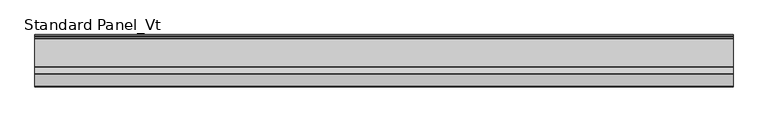
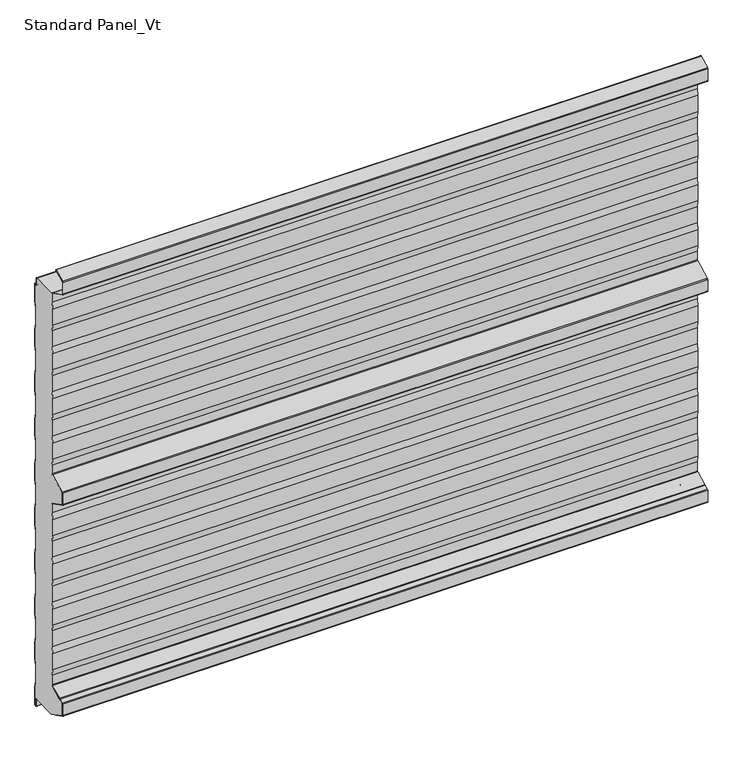
"""IFC4 building model written with IfcOpenShell, lengths in millimetres: proxy geometry, Standard Panel_Vt."""

from ifc_helpers import new_model, si_unit, point, frame, frame_2d, origin, place, context, project, spatial, polyline, circle_curve, trimmed, segment, composite_curve, outline, extrude, source, transform, mapped, element, save
from ifc_brep_helpers import plane_surface, cylinder_surface, revolved_surface, advanced_brep


def standard_panel_vt_7420a93f(model_context):
    return source(origin(), model_context, "Body", "SolidModel", [
        advanced_brep(
        [(-723.9042608, -67.5, 35.1338169), (-723.9042608, -67.5, 57.6094989), (-723.9042608, -70.0, 72.448892), (-723.9042608, -70.0, 110.5241033), (-723.9042608, -67.5, 125.3634964), (-723.9042608, -67.5, 163.6094989), (-723.9042608, -70.0, 178.448892), (-723.9042608, -70.0, 216.5241033), (-723.9042608, -67.5, 231.3634964), (-723.9042608, -67.5, 269.6094989), (-723.9042608, -70.0, 284.448892), (-723.9042608, -70.0, 322.5241033), (-723.9042608, -67.5, 337.3634964), (-723.9042608, -67.5, 375.6094989), (-723.9042608, -70.0, 390.448892), (-723.9042608, -70.0, 428.5241033), (-723.9042608, -67.5, 443.3634964), (-723.9042608, -67.5, 463.5777279), (-723.9042608, -69.215023, 466.3511443), (-723.9042608, -106.7201502, 485.0802964), (-723.9042608, -107.55, 486.4222721), (-723.9042608, -107.55, 513.5777279), (-723.9042608, -106.7201502, 514.9197036), (-723.9042608, -69.215023, 533.6488557), (-723.9042608, -67.5, 536.4222721), (-723.9042608, -67.5, 556.6365036), (-723.9042608, -70.0, 571.4758967), (-723.9042608, -70.0, 609.551108), (-723.9042608, -67.5, 624.3905011), (-723.9042608, -67.5, 662.6365036), (-723.9042608, -70.0, 677.4758967), (-723.9042608, -70.0, 715.551108), (-723.9042608, -67.5, 730.3905011), (-723.9042608, -67.5, 768.6365036), (-723.9042608, -70.0, 783.4758967), (-723.9042608, -70.0, 821.551108), (-723.9042608, -67.5, 836.3905011), (-723.9042608, -67.5, 874.6365036), (-723.9042608, -70.0, 889.4758967), (-723.9042608, -70.0, 927.551108), (-723.9042608, -67.5, 942.3905011), (-723.9042608, -67.5, 962.6040392), (-723.9042608, -67.9622719, 964.2326554), (-723.9042608, -10.2001722, 964.2), (-723.9042608, -10.2001722, 963.3616429), (-723.9042608, -8.2001714, 963.3616429), (-723.9042608, -6.9001721, 962.0616436), (-723.9042608, -6.9001721, 946.4755735), (-723.9042608, -4.1204106, 944.9655843), (-723.9042608, -1.6, 946.6009611), (-723.9042608, -1.6, 905.4928529), (-723.9042608, -4.1, 890.4928529), (-723.9042608, -4.1, 852.3604329), (-723.9042608, -1.6, 837.3604329), (-723.9042608, -1.6, 799.4928529), (-723.9042608, -4.1, 784.4928529), (-723.9042608, -4.1, 746.3604329), (-723.9042608, -1.6, 731.3604329), (-723.9042608, -1.6, 693.4928529), (-723.9042608, -4.1, 678.4928529), (-723.9042608, -4.1, 640.3604329), (-723.9042608, -1.6, 625.3604329), (-723.9042608, -1.6, 587.4928529), (-723.9042608, -4.1, 572.4928529), (-723.9042608, -4.1, 534.3604329), (-723.9042608, -1.6, 519.3604329), (-723.9042608, -1.6, 481.9928529), (-723.9042608, -4.1, 466.9928529), (-723.9042608, -4.1, 428.8604329), (-723.9042608, -1.6, 413.8604329), (-723.9042608, -1.6, 375.4928529), (-723.9042608, -4.1, 360.4928529), (-723.9042608, -4.1, 322.3604329), (-723.9042608, -1.6, 307.3604329), (-723.9042608, -1.6, 269.4928529), (-723.9042608, -4.1, 254.4928529), (-723.9042608, -4.1, 216.3604329), (-723.9042608, -1.6, 201.3604329), (-723.9042608, -1.6, 163.4928529), (-723.9042608, -4.1, 148.4928529), (-723.9042608, -4.1, 110.3604329), (-723.9042608, -1.6, 95.3604329), (-723.9042608, -1.6, 57.4928529), (-723.9042608, -4.1, 42.4928529), (-723.9042608, -4.1, 4.3604329), (-723.9042608, -1.6, -10.6395671), (-723.9042608, -1.6, -51.4917405), (-723.9042608, -4.8001723, -53.568183), (-723.9042608, -4.8001723, -37.2383568), (-723.9042608, -7.0001721, -35.0383571), (-723.9042608, -8.930172, -35.0383571), (-723.9042608, -8.930172, -35.8383571), (-723.9042608, -65.05, -35.8), (-723.9042608, -106.7201502, -14.9197036), (-723.9042608, -107.55, -13.5777279), (-723.9042608, -107.55, 13.5777279), (-723.9042608, -106.7201502, 14.9197036), (-723.9042608, -98.2301555, 19.1594013), (-723.9042608, -96.5702853, 19.3495888), (-723.9042608, -95.8045421, 19.576942), (-723.9042608, -68.7724364, 33.0761209), (723.9042608, -67.5, 35.1338169), (723.9042608, -68.7724364, 33.0761209), (723.9042608, -95.8045421, 19.576942), (723.9042608, -96.5702853, 19.3495888), (723.9042608, -98.2301555, 19.1594013), (723.9042608, -106.7201502, 14.9197036), (723.9042608, -107.55, 13.5777279), (723.9042608, -107.55, -13.5777279), (723.9042608, -106.7201502, -14.9197036), (723.9042608, -65.05, -35.7287673), (723.9042608, -8.930172, -35.8383571), (723.9042608, -8.930172, -35.0383571), (723.9042608, -7.0001721, -35.0383571), (723.9042608, -4.8001723, -37.2383568), (723.9042608, -4.8001723, -53.568183), (723.9042608, -1.6, -51.4917405), (723.9042608, -1.6, -10.6395671), (723.9042608, -4.1, 4.3604329), (723.9042608, -4.1, 42.4928529), (723.9042608, -1.6, 57.4928529), (723.9042608, -1.6, 95.3604329), (723.9042608, -4.1, 110.3604329), (723.9042608, -4.1, 148.4928529), (723.9042608, -1.6, 163.4928529), (723.9042608, -1.6, 201.3604329), (723.9042608, -4.1, 216.3604329), (723.9042608, -4.1, 254.4928529), (723.9042608, -1.6, 269.4928529), (723.9042608, -1.6, 307.3604329), (723.9042608, -4.1, 322.3604329), (723.9042608, -4.1, 360.4928529), (723.9042608, -1.6, 375.4928529), (723.9042608, -1.6, 413.8604329), (723.9042608, -4.1, 428.8604329), (723.9042608, -4.1, 466.9928529), (723.9042608, -1.6, 481.9928529), (723.9042608, -1.6, 519.3604329), (723.9042608, -4.1, 534.3604329), (723.9042608, -4.1, 572.4928529), (723.9042608, -1.6, 587.4928529), (723.9042608, -1.6, 625.3604329), (723.9042608, -4.1, 640.3604329), (723.9042608, -4.1, 678.4928529), (723.9042608, -1.6, 693.4928529), (723.9042608, -1.6, 731.3604329), (723.9042608, -4.1, 746.3604329), (723.9042608, -4.1, 784.4928529), (723.9042608, -1.6, 799.4928529), (723.9042608, -1.6, 837.3604329), (723.9042608, -4.1, 852.3604329), (723.9042608, -4.1, 890.4928529), (723.9042608, -1.6, 905.4928529), (723.9042608, -1.6, 946.6009611), (723.9042608, -4.1204106, 944.9655843), (723.9042608, -6.9001721, 946.4755735), (723.9042608, -6.9001721, 962.0616436), (723.9042608, -8.2001714, 963.3616429), (723.9042608, -10.2001722, 963.3616429), (723.9042608, -10.2001722, 964.2), (723.9042608, -67.9622719, 964.2326554), (723.9042608, -67.5, 962.6040392), (723.9042608, -67.5, 942.3905011), (723.9042608, -70.0, 927.551108), (723.9042608, -70.0, 889.4758967), (723.9042608, -67.5, 874.6365036), (723.9042608, -67.5, 836.3905011), (723.9042608, -70.0, 821.551108), (723.9042608, -70.0, 783.4758967), (723.9042608, -67.5, 768.6365036), (723.9042608, -67.5, 730.3905011), (723.9042608, -70.0, 715.551108), (723.9042608, -70.0, 677.4758967), (723.9042608, -67.5, 662.6365036), (723.9042608, -67.5, 624.3905011), (723.9042608, -70.0, 609.551108), (723.9042608, -70.0, 571.4758967), (723.9042608, -67.5, 556.6365036), (723.9042608, -67.5, 536.4222721), (723.9042608, -69.215023, 533.6488557), (723.9042608, -106.7201502, 514.9197036), (723.9042608, -107.55, 513.5777279), (723.9042608, -107.55, 486.4222721), (723.9042608, -106.7201502, 485.0802964), (723.9042608, -69.215023, 466.3511443), (723.9042608, -67.5, 463.5777279), (723.9042608, -67.5, 443.3634964), (723.9042608, -70.0, 428.5241033), (723.9042608, -70.0, 390.448892), (723.9042608, -67.5, 375.6094989), (723.9042608, -67.5, 337.3634964), (723.9042608, -70.0, 322.5241033), (723.9042608, -70.0, 284.448892), (723.9042608, -67.5, 269.6094989), (723.9042608, -67.5, 231.3634964), (723.9042608, -70.0, 216.5241033), (723.9042608, -70.0, 178.448892), (723.9042608, -67.5, 163.6094989), (723.9042608, -67.5, 125.3634964), (723.9042608, -70.0, 110.5241033), (723.9042608, -70.0, 72.448892), (723.9042608, -67.5, 57.6094989)],
        [
            (0, 1),
            (1, 2),
            (2, 3),
            (3, 4),
            (4, 5),
            (5, 6),
            (6, 7),
            (7, 8),
            (8, 9),
            (9, 10),
            (10, 11),
            (11, 12),
            (12, 13),
            (13, 14),
            (14, 15),
            (15, 16),
            (16, 17),
            (17, 18, circle_curve(frame((-723.9042608, -70.6, 463.5777279), z_axis=(1.0, 0.0, 0.0), x_axis=(0.0, 0.0, -1.0)), 3.1)),
            (18, 19),
            (19, 20, circle_curve(frame((-723.9042608, -106.05, 486.4222721), z_axis=(-1.0, 0.0, 0.0), x_axis=(0.0, 0.0, -1.0)), 1.5)),
            (20, 21),
            (21, 22, circle_curve(frame((-723.9042608, -106.05, 513.5777279), z_axis=(-1.0, 0.0, 0.0), x_axis=(0.0, 0.0, -1.0)), 1.5)),
            (22, 23),
            (23, 24, circle_curve(frame((-723.9042608, -70.6, 536.4222721), z_axis=(1.0, 0.0, 0.0), x_axis=(0.0, 0.0, -1.0)), 3.1)),
            (24, 25),
            (25, 26),
            (26, 27),
            (27, 28),
            (28, 29),
            (29, 30),
            (30, 31),
            (31, 32),
            (32, 33),
            (33, 34),
            (34, 35),
            (35, 36),
            (36, 37),
            (37, 38),
            (38, 39),
            (39, 40),
            (40, 41),
            (41, 42, circle_curve(frame((-723.9042608, -70.6, 962.6040392), z_axis=(1.0, 0.0, 0.0), x_axis=(0.0, 0.0, -1.0)), 3.1)),
            (42, 43),
            (43, 44),
            (44, 45),
            (45, 46, circle_curve(frame((-723.9042608, -8.2001714, 962.0616436), z_axis=(-1.0, 0.0, 0.0), x_axis=(0.0, 0.0, -1.0)), 1.2999993)),
            (46, 47),
            (47, 48, circle_curve(frame((-723.9042608, -5.1001721, 946.4755735), z_axis=(1.0, 0.0, 0.0), x_axis=(0.0, 0.0, -1.0)), 1.8)),
            (48, 49),
            (49, 50),
            (50, 51),
            (51, 52),
            (52, 53),
            (53, 54),
            (54, 55),
            (55, 56),
            (56, 57),
            (57, 58),
            (58, 59),
            (59, 60),
            (60, 61),
            (61, 62),
            (62, 63),
            (63, 64),
            (64, 65),
            (65, 66),
            (66, 67),
            (67, 68),
            (68, 69),
            (69, 70),
            (70, 71),
            (71, 72),
            (72, 73),
            (73, 74),
            (74, 75),
            (75, 76),
            (76, 77),
            (77, 78),
            (78, 79),
            (79, 80),
            (80, 81),
            (81, 82),
            (82, 83),
            (83, 84),
            (84, 85),
            (85, 86),
            (86, 87),
            (87, 88),
            (88, 89, circle_curve(frame((-723.9042608, -7.0001721, -37.2383568), z_axis=(1.0, 0.0, 0.0), x_axis=(0.0, 0.0, -1.0)), 2.1999997)),
            (89, 90),
            (90, 91),
            (91, 92),
            (92, 93),
            (93, 94, circle_curve(frame((-723.9042608, -106.05, -13.5777279), z_axis=(-1.0, 0.0, 0.0), x_axis=(0.0, 0.0, -1.0)), 1.5)),
            (94, 95),
            (95, 96, circle_curve(frame((-723.9042608, -106.05, 13.5777279), z_axis=(-1.0, 0.0, 0.0), x_axis=(0.0, 0.0, -1.0)), 1.5)),
            (96, 97),
            (97, 98),
            (98, 99, circle_curve(frame((-723.9042608, -96.8321057, 21.6346381), z_axis=(1.0, 0.0, 0.0), x_axis=(0.0, 0.0, -1.0)), 2.3)),
            (99, 100),
            (100, 0, circle_curve(frame((-723.9042608, -69.8, 35.1338169), z_axis=(1.0, 0.0, 0.0), x_axis=(0.0, 0.0, -1.0)), 2.3)),
            (101, 102, circle_curve(frame((723.9042608, -69.8, 35.1338169), z_axis=(-1.0, 0.0, 0.0), x_axis=(0.0, 0.0, -1.0)), 2.3)),
            (102, 103),
            (103, 104, circle_curve(frame((723.9042608, -96.8321057, 21.6346381), z_axis=(-1.0, 0.0, 0.0), x_axis=(0.0, 0.0, -1.0)), 2.3)),
            (104, 105),
            (105, 106),
            (106, 107, circle_curve(frame((723.9042608, -106.05, 13.5777279), z_axis=(1.0, 0.0, 0.0), x_axis=(0.0, 0.0, -1.0)), 1.5)),
            (107, 108),
            (108, 109, circle_curve(frame((723.9042608, -106.05, -13.5777279), z_axis=(1.0, 0.0, 0.0), x_axis=(0.0, 0.0, -1.0)), 1.5)),
            (109, 110),
            (110, 111),
            (111, 112),
            (112, 113),
            (113, 114, circle_curve(frame((723.9042608, -7.0001721, -37.2383568), z_axis=(-1.0, 0.0, 0.0), x_axis=(0.0, 0.0, -1.0)), 2.1999997)),
            (114, 115),
            (115, 116),
            (116, 117),
            (117, 118),
            (118, 119),
            (119, 120),
            (120, 121),
            (121, 122),
            (122, 123),
            (123, 124),
            (124, 125),
            (125, 126),
            (126, 127),
            (127, 128),
            (128, 129),
            (129, 130),
            (130, 131),
            (131, 132),
            (132, 133),
            (133, 134),
            (134, 135),
            (135, 136),
            (136, 137),
            (137, 138),
            (138, 139),
            (139, 140),
            (140, 141),
            (141, 142),
            (142, 143),
            (143, 144),
            (144, 145),
            (145, 146),
            (146, 147),
            (147, 148),
            (148, 149),
            (149, 150),
            (150, 151),
            (151, 152),
            (152, 153),
            (153, 154),
            (154, 155, circle_curve(frame((723.9042608, -5.1001721, 946.4755735), z_axis=(-1.0, 0.0, 0.0), x_axis=(0.0, 0.0, -1.0)), 1.8)),
            (155, 156),
            (156, 157, circle_curve(frame((723.9042608, -8.2001714, 962.0616436), z_axis=(1.0, 0.0, 0.0), x_axis=(0.0, 0.0, -1.0)), 1.2999993)),
            (157, 158),
            (158, 159),
            (159, 160),
            (160, 161, circle_curve(frame((723.9042608, -70.6, 962.6040392), z_axis=(-1.0, 0.0, 0.0), x_axis=(0.0, 0.0, -1.0)), 3.1)),
            (161, 162),
            (162, 163),
            (163, 164),
            (164, 165),
            (165, 166),
            (166, 167),
            (167, 168),
            (168, 169),
            (169, 170),
            (170, 171),
            (171, 172),
            (172, 173),
            (173, 174),
            (174, 175),
            (175, 176),
            (176, 177),
            (177, 178),
            (178, 179, circle_curve(frame((723.9042608, -70.6, 536.4222721), z_axis=(-1.0, 0.0, 0.0), x_axis=(0.0, 0.0, -1.0)), 3.1)),
            (179, 180),
            (180, 181, circle_curve(frame((723.9042608, -106.05, 513.5777279), z_axis=(1.0, 0.0, 0.0), x_axis=(0.0, 0.0, -1.0)), 1.5)),
            (181, 182),
            (182, 183, circle_curve(frame((723.9042608, -106.05, 486.4222721), z_axis=(1.0, 0.0, 0.0), x_axis=(0.0, 0.0, -1.0)), 1.5)),
            (183, 184),
            (184, 185, circle_curve(frame((723.9042608, -70.6, 463.5777279), z_axis=(-1.0, 0.0, 0.0), x_axis=(0.0, 0.0, -1.0)), 3.1)),
            (185, 186),
            (186, 187),
            (187, 188),
            (188, 189),
            (189, 190),
            (190, 191),
            (191, 192),
            (192, 193),
            (193, 194),
            (194, 195),
            (195, 196),
            (196, 197),
            (197, 198),
            (198, 199),
            (199, 200),
            (200, 201),
            (201, 101),
            (100, 102),
            (101, 0),
            (99, 103),
            (98, 104),
            (97, 105),
            (96, 106),
            (95, 107),
            (94, 108),
            (93, 109),
            (92, 110),
            (159, 43),
            (42, 160),
            (41, 161),
            (40, 162),
            (39, 163),
            (38, 164),
            (37, 165),
            (36, 166),
            (35, 167),
            (34, 168),
            (33, 169),
            (32, 170),
            (31, 171),
            (30, 172),
            (29, 173),
            (28, 174),
            (27, 175),
            (26, 176),
            (25, 177),
            (24, 178),
            (23, 179),
            (22, 180),
            (21, 181),
            (20, 182),
            (19, 183),
            (18, 184),
            (17, 185),
            (16, 186),
            (15, 187),
            (14, 188),
            (13, 189),
            (12, 190),
            (11, 191),
            (10, 192),
            (9, 193),
            (8, 194),
            (7, 195),
            (6, 196),
            (5, 197),
            (4, 198),
            (3, 199),
            (2, 200),
            (1, 201),
            (158, 44),
            (88, 114),
            (113, 89),
            (87, 115),
            (86, 116),
            (85, 117),
            (84, 118),
            (83, 119),
            (82, 120),
            (81, 121),
            (80, 122),
            (79, 123),
            (78, 124),
            (77, 125),
            (76, 126),
            (75, 127),
            (74, 128),
            (73, 129),
            (72, 130),
            (71, 131),
            (70, 132),
            (69, 133),
            (68, 134),
            (67, 135),
            (66, 136),
            (65, 137),
            (64, 138),
            (63, 139),
            (62, 140),
            (61, 141),
            (60, 142),
            (59, 143),
            (58, 144),
            (57, 145),
            (56, 146),
            (55, 147),
            (54, 148),
            (53, 149),
            (52, 150),
            (51, 151),
            (50, 152),
            (49, 153),
            (48, 154),
            (47, 155),
            (46, 156),
            (45, 157),
            (90, 112),
            (111, 91),
        ],
        [
            plane_surface(frame((-723.9042608, -70.0, 500.0), z_axis=(-1.0, 0.0, 0.0), x_axis=(0.0, 1.0, 0.0))),
            plane_surface(frame((723.9042608, -70.0, 500.0), z_axis=(1.0, 0.0, 0.0), x_axis=(0.0, 1.0, 0.0))),
            revolved_surface(polyline([(723.9042608, -69.8, 32.8338169), (-723.9042608, -69.8, 32.8338169)]), (-723.9042608, -69.8, 35.1338169), (1.0, 0.0, 0.0)),
            plane_surface(frame((-723.9042608, -68.7724364, 33.0761209), z_axis=(0.0, -0.4467667729379058, 0.89465046280581), x_axis=(1.0, 0.0, 0.0))),
            revolved_surface(polyline([(723.9042608, -96.8321057, 19.3346381), (-723.9042608, -96.8321057, 19.3346381)]), (-723.9042608, -96.8321057, 21.6346381), (1.0, 0.0, 0.0)),
            plane_surface(frame((-723.9042608, -96.5702853, 19.3495888), z_axis=(0.0, -0.11383496024224143, 0.9934996737929246), x_axis=(1.0, 0.0, 0.0))),
            plane_surface(frame((-723.9042608, -98.2301555, 19.1594013), z_axis=(0.0, -0.44676677293837763, 0.8946504628055743), x_axis=(1.0, 0.0, 0.0))),
            cylinder_surface(frame((-723.9042608, -106.05, 13.5777279), z_axis=(-1.0, 0.0, 0.0), x_axis=(0.0, 0.0, -1.0)), 1.5),
            plane_surface(frame((-723.9042608, -107.55, 13.5777279), z_axis=(0.0, -1.0, 0.0), x_axis=(1.0, 0.0, 0.0))),
            cylinder_surface(frame((-723.9042608, -106.05, -13.5777279), z_axis=(-1.0, 0.0, 0.0), x_axis=(0.0, 0.0, -1.0)), 1.5),
            plane_surface(frame((-723.9042608, -106.7201502, -14.9197036), z_axis=(0.0, -0.4467667729366023, -0.8946504628064608), x_axis=(1.0, 0.0, 0.0))),
            plane_surface(frame((-723.9042608, -65.05, 964.2326554), z_axis=(0.0, 0.0, 1.0), x_axis=(1.0, 0.0, 0.0))),
            revolved_surface(polyline([(723.9042608, -70.6, 959.5040392), (-723.9042608, -70.6, 959.5040392)]), (-723.9042608, -70.6, 962.6040392), (1.0, 0.0, 0.0)),
            plane_surface(frame((-723.9042608, -67.5, 962.6040392), z_axis=(0.0, -1.0, 0.0), x_axis=(1.0, 0.0, 0.0))),
            plane_surface(frame((-723.9042608, -67.5, 942.3905011), z_axis=(0.0, -0.9861039564577478, 0.16612942863435207), x_axis=(1.0, 0.0, 0.0))),
            plane_surface(frame((-723.9042608, -70.0, 927.551108), z_axis=(0.0, -1.0, 0.0), x_axis=(1.0, 0.0, 0.0))),
            plane_surface(frame((-723.9042608, -70.0, 889.4758967), z_axis=(0.0, -0.986103956457715, -0.16612942863454708), x_axis=(1.0, 0.0, 0.0))),
            plane_surface(frame((-723.9042608, -67.5, 874.6365036), z_axis=(0.0, -1.0, 0.0), x_axis=(1.0, 0.0, 0.0))),
            plane_surface(frame((-723.9042608, -67.5, 836.3905011), z_axis=(0.0, -0.9861039564577201, 0.1661294286345171), x_axis=(1.0, 0.0, 0.0))),
            plane_surface(frame((-723.9042608, -70.0, 821.551108), z_axis=(0.0, -1.0, 0.0), x_axis=(1.0, 0.0, 0.0))),
            plane_surface(frame((-723.9042608, -70.0, 783.4758967), z_axis=(0.0, -0.986103956457715, -0.16612942863454708), x_axis=(1.0, 0.0, 0.0))),
            plane_surface(frame((-723.9042608, -67.5, 768.6365036), z_axis=(0.0, -1.0, 0.0), x_axis=(1.0, 0.0, 0.0))),
            plane_surface(frame((-723.9042608, -67.5, 730.3905011), z_axis=(0.0, -0.9861039564577478, 0.16612942863435207), x_axis=(1.0, 0.0, 0.0))),
            plane_surface(frame((-723.9042608, -70.0, 715.551108), z_axis=(0.0, -1.0, 0.0), x_axis=(1.0, 0.0, 0.0))),
            plane_surface(frame((-723.9042608, -70.0, 677.4758967), z_axis=(0.0, -0.9861039564576832, -0.16612942863473568), x_axis=(1.0, 0.0, 0.0))),
            plane_surface(frame((-723.9042608, -67.5, 662.6365036), z_axis=(0.0, -1.0, 0.0), x_axis=(1.0, 0.0, 0.0))),
            plane_surface(frame((-723.9042608, -67.5, 624.3905011), z_axis=(0.0, -0.9861039564577201, 0.1661294286345171), x_axis=(1.0, 0.0, 0.0))),
            plane_surface(frame((-723.9042608, -70.0, 609.551108), z_axis=(0.0, -1.0, 0.0), x_axis=(1.0, 0.0, 0.0))),
            plane_surface(frame((-723.9042608, -70.0, 571.4758967), z_axis=(0.0, -0.9861039564577467, -0.16612942863435845), x_axis=(1.0, 0.0, 0.0))),
            plane_surface(frame((-723.9042608, -67.5, 556.6365036), z_axis=(0.0, -1.0, 0.0), x_axis=(1.0, 0.0, 0.0))),
            revolved_surface(polyline([(723.9042608, -70.6, 533.3222721), (-723.9042608, -70.6, 533.3222721)]), (-723.9042608, -70.6, 536.4222721), (1.0, 0.0, 0.0)),
            plane_surface(frame((-723.9042608, -69.215023, 533.6488557), z_axis=(0.0, -0.4467667729373698, 0.8946504628060775), x_axis=(1.0, 0.0, 0.0))),
            cylinder_surface(frame((-723.9042608, -106.05, 513.5777279), z_axis=(-1.0, 0.0, 0.0), x_axis=(0.0, 0.0, -1.0)), 1.5),
            plane_surface(frame((-723.9042608, -107.55, 513.5777279), z_axis=(0.0, -1.0, 0.0), x_axis=(1.0, 0.0, 0.0))),
            cylinder_surface(frame((-723.9042608, -106.05, 486.4222721), z_axis=(-1.0, 0.0, 0.0), x_axis=(0.0, 0.0, -1.0)), 1.5),
            plane_surface(frame((-723.9042608, -106.7201502, 485.0802964), z_axis=(0.0, -0.4467667729375501, -0.8946504628059875), x_axis=(1.0, 0.0, 0.0))),
            revolved_surface(polyline([(723.9042608, -70.6, 460.4777279), (-723.9042608, -70.6, 460.4777279)]), (-723.9042608, -70.6, 463.5777279), (1.0, 0.0, 0.0)),
            plane_surface(frame((-723.9042608, -67.5, 463.5777279), z_axis=(0.0, -1.0, 0.0), x_axis=(1.0, 0.0, 0.0))),
            plane_surface(frame((-723.9042608, -67.5, 443.3634964), z_axis=(0.0, -0.9861039564577047, 0.16612942863460836), x_axis=(1.0, 0.0, 0.0))),
            plane_surface(frame((-723.9042608, -70.0, 428.5241033), z_axis=(0.0, -1.0, 0.0), x_axis=(1.0, 0.0, 0.0))),
            plane_surface(frame((-723.9042608, -70.0, 390.448892), z_axis=(0.0, -0.9861039564576678, -0.16612942863482694), x_axis=(1.0, 0.0, 0.0))),
            plane_surface(frame((-723.9042608, -67.5, 375.6094989), z_axis=(0.0, -1.0, 0.0), x_axis=(1.0, 0.0, 0.0))),
            plane_surface(frame((-723.9042608, -67.5, 337.3634964), z_axis=(0.0, -0.9861039564577121, 0.16612942863456426), x_axis=(1.0, 0.0, 0.0))),
            plane_surface(frame((-723.9042608, -70.0, 322.5241033), z_axis=(0.0, -1.0, 0.0), x_axis=(1.0, 0.0, 0.0))),
            plane_surface(frame((-723.9042608, -70.0, 284.448892), z_axis=(0.0, -0.9861039564577467, -0.16612942863435845), x_axis=(1.0, 0.0, 0.0))),
            plane_surface(frame((-723.9042608, -67.5, 269.6094989), z_axis=(0.0, -1.0, 0.0), x_axis=(1.0, 0.0, 0.0))),
            plane_surface(frame((-723.9042608, -67.5, 231.3634964), z_axis=(0.0, -0.9861039564577161, 0.1661294286345407), x_axis=(1.0, 0.0, 0.0))),
            plane_surface(frame((-723.9042608, -70.0, 216.5241033), z_axis=(0.0, -1.0, 0.0), x_axis=(1.0, 0.0, 0.0))),
            plane_surface(frame((-723.9042608, -70.0, 178.448892), z_axis=(0.0, -0.986103956457715, -0.16612942863454708), x_axis=(1.0, 0.0, 0.0))),
            plane_surface(frame((-723.9042608, -67.5, 163.6094989), z_axis=(0.0, -1.0, 0.0), x_axis=(1.0, 0.0, 0.0))),
            plane_surface(frame((-723.9042608, -67.5, 125.3634964), z_axis=(0.0, -0.9861039564577161, 0.1661294286345407), x_axis=(1.0, 0.0, 0.0))),
            plane_surface(frame((-723.9042608, -70.0, 110.5241033), z_axis=(0.0, -1.0, 0.0), x_axis=(1.0, 0.0, 0.0))),
            plane_surface(frame((-723.9042608, -70.0, 72.448892), z_axis=(0.0, -0.9861039564576832, -0.16612942863473568), x_axis=(1.0, 0.0, 0.0))),
            plane_surface(frame((-723.9042608, -67.5, 57.6094989), z_axis=(0.0, -1.0, 0.0), x_axis=(1.0, 0.0, 0.0))),
            plane_surface(frame((723.9042608, -10.2001722, 964.2), z_axis=(0.0, 1.0, 0.0), x_axis=(-1.0, 0.0, 0.0))),
            revolved_surface(polyline([(723.9042608, -7.0001721, -39.4383565), (-723.9042608, -7.0001721, -39.4383565)]), (-723.9042608, -7.0001721, -37.2383568), (1.0, 0.0, 0.0)),
            plane_surface(frame((-723.9042608, -4.8001723, -37.2383568), z_axis=(0.0, -1.0, 0.0), x_axis=(1.0, 0.0, 0.0))),
            plane_surface(frame((-723.9042608, -4.8001723, -53.568183), z_axis=(0.0, 0.5443119480328179, -0.8388828900560071), x_axis=(1.0, 0.0, 0.0))),
            plane_surface(frame((-723.9042608, -1.6, -51.4917405), z_axis=(0.0, 1.0, 0.0), x_axis=(1.0, 0.0, 0.0))),
            plane_surface(frame((-723.9042608, -1.6, -10.6395671), z_axis=(0.0, 0.9863939238321534, 0.16439898730529956), x_axis=(1.0, 0.0, 0.0))),
            plane_surface(frame((-723.9042608, -4.1, 4.3604329), z_axis=(0.0, 1.0, 0.0), x_axis=(1.0, 0.0, 0.0))),
            plane_surface(frame((-723.9042608, -4.1, 42.4928529), z_axis=(0.0, 0.9863939238321456, -0.1643989873053465), x_axis=(1.0, 0.0, 0.0))),
            plane_surface(frame((-723.9042608, -1.6, 57.4928529), z_axis=(0.0, 1.0, 0.0), x_axis=(1.0, 0.0, 0.0))),
            plane_surface(frame((-723.9042608, -1.6, 95.3604329), z_axis=(0.0, 0.9863939238321452, 0.16439898730534863), x_axis=(1.0, 0.0, 0.0))),
            plane_surface(frame((-723.9042608, -4.1, 110.3604329), z_axis=(0.0, 1.0, 0.0), x_axis=(1.0, 0.0, 0.0))),
            plane_surface(frame((-723.9042608, -4.1, 148.4928529), z_axis=(0.0, 0.9863939238321413, -0.16439898730537209), x_axis=(1.0, 0.0, 0.0))),
            plane_surface(frame((-723.9042608, -1.6, 163.4928529), z_axis=(0.0, 1.0, 0.0), x_axis=(1.0, 0.0, 0.0))),
            plane_surface(frame((-723.9042608, -1.6, 201.3604329), z_axis=(0.0, 0.9863939238321713, 0.164398987305192), x_axis=(1.0, 0.0, 0.0))),
            plane_surface(frame((-723.9042608, -4.1, 216.3604329), z_axis=(0.0, 1.0, 0.0), x_axis=(1.0, 0.0, 0.0))),
            plane_surface(frame((-723.9042608, -4.1, 254.4928529), z_axis=(0.0, 0.9863939238321595, -0.16439898730526276), x_axis=(1.0, 0.0, 0.0))),
            plane_surface(frame((-723.9042608, -1.6, 269.4928529), z_axis=(0.0, 1.0, 0.0), x_axis=(1.0, 0.0, 0.0))),
            plane_surface(frame((-723.9042608, -1.6, 307.3604329), z_axis=(0.0, 0.9863939238321285, 0.16439898730544858), x_axis=(1.0, 0.0, 0.0))),
            plane_surface(frame((-723.9042608, -4.1, 322.3604329), z_axis=(0.0, 1.0, 0.0), x_axis=(1.0, 0.0, 0.0))),
            plane_surface(frame((-723.9042608, -4.1, 360.4928529), z_axis=(0.0, 0.986393923832452, -0.16439898730350827), x_axis=(1.0, 0.0, 0.0))),
            plane_surface(frame((-723.9042608, -1.6, 375.4928529), z_axis=(0.0, 1.0, 0.0), x_axis=(1.0, 0.0, 0.0))),
            plane_surface(frame((-723.9042608, -1.6, 413.8604329), z_axis=(0.0, 0.986393923832151, 0.16439898730531435), x_axis=(1.0, 0.0, 0.0))),
            plane_surface(frame((-723.9042608, -4.1, 428.8604329), z_axis=(0.0, 1.0, 0.0), x_axis=(1.0, 0.0, 0.0))),
            plane_surface(frame((-723.9042608, -4.1, 466.9928529), z_axis=(0.0, 0.9863939238329182, -0.1643989873007107), x_axis=(1.0, 0.0, 0.0))),
            plane_surface(frame((-723.9042608, -1.6, 481.9928529), z_axis=(0.0, 1.0, 0.0), x_axis=(1.0, 0.0, 0.0))),
            plane_surface(frame((-723.9042608, -1.6, 519.3604329), z_axis=(0.0, 0.986393923832576, 0.1643989873027638), x_axis=(1.0, 0.0, 0.0))),
            plane_surface(frame((-723.9042608, -4.1, 534.3604329), z_axis=(0.0, 1.0, 0.0), x_axis=(1.0, 0.0, 0.0))),
            plane_surface(frame((-723.9042608, -4.1, 572.4928529), z_axis=(0.0, 0.9863939238321462, -0.1643989873053435), x_axis=(1.0, 0.0, 0.0))),
            plane_surface(frame((-723.9042608, -1.6, 587.4928529), z_axis=(0.0, 1.0, 0.0), x_axis=(1.0, 0.0, 0.0))),
            plane_surface(frame((-723.9042608, -1.6, 625.3604329), z_axis=(0.0, 0.9863939238321415, 0.16439898730537109), x_axis=(1.0, 0.0, 0.0))),
            plane_surface(frame((-723.9042608, -4.1, 640.3604329), z_axis=(0.0, 1.0, 0.0), x_axis=(1.0, 0.0, 0.0))),
            plane_surface(frame((-723.9042608, -4.1, 678.4928529), z_axis=(0.0, 0.9863939238321462, -0.1643989873053435), x_axis=(1.0, 0.0, 0.0))),
            plane_surface(frame((-723.9042608, -1.6, 693.4928529), z_axis=(0.0, 1.0, 0.0), x_axis=(1.0, 0.0, 0.0))),
            plane_surface(frame((-723.9042608, -1.6, 731.3604329), z_axis=(0.0, 0.9863939238321723, 0.16439898730518634), x_axis=(1.0, 0.0, 0.0))),
            plane_surface(frame((-723.9042608, -4.1, 746.3604329), z_axis=(0.0, 1.0, 0.0), x_axis=(1.0, 0.0, 0.0))),
            plane_surface(frame((-723.9042608, -4.1, 784.4928529), z_axis=(0.0, 0.9863939238321462, -0.1643989873053435), x_axis=(1.0, 0.0, 0.0))),
            plane_surface(frame((-723.9042608, -1.6, 799.4928529), z_axis=(0.0, 1.0, 0.0), x_axis=(1.0, 0.0, 0.0))),
            plane_surface(frame((-723.9042608, -1.6, 837.3604329), z_axis=(0.0, 0.9863939238321415, 0.16439898730537109), x_axis=(1.0, 0.0, 0.0))),
            plane_surface(frame((-723.9042608, -4.1, 852.3604329), z_axis=(0.0, 1.0, 0.0), x_axis=(1.0, 0.0, 0.0))),
            plane_surface(frame((-723.9042608, -4.1, 890.4928529), z_axis=(0.0, 0.9863939238321769, -0.16439898730515876), x_axis=(1.0, 0.0, 0.0))),
            plane_surface(frame((-723.9042608, -1.6, 905.4928529), z_axis=(0.0, 1.0, 0.0), x_axis=(1.0, 0.0, 0.0))),
            plane_surface(frame((-723.9042608, -1.6, 946.6009611), z_axis=(0.0, -0.5443119480359504, 0.8388828900539747), x_axis=(1.0, 0.0, 0.0))),
            revolved_surface(polyline([(723.9042608, -5.1001721, 944.6755735), (-723.9042608, -5.1001721, 944.6755735)]), (-723.9042608, -5.1001721, 946.4755735), (1.0, 0.0, 0.0)),
            plane_surface(frame((-723.9042608, -6.9001721, 946.4755735), z_axis=(0.0, 1.0, 0.0), x_axis=(1.0, 0.0, 0.0))),
            cylinder_surface(frame((-723.9042608, -8.2001714, 962.0616436), z_axis=(-1.0, 0.0, 0.0), x_axis=(0.0, 0.0, -1.0)), 1.2999993),
            plane_surface(frame((-723.9042608, -8.2001714, 963.3616429), z_axis=(0.0, 0.0, 1.0), x_axis=(1.0, 0.0, 0.0))),
            plane_surface(frame((-723.9042608, -8.930172, -35.8383571), z_axis=(0.0, 1.0, 0.0), x_axis=(1.0, 0.0, 0.0))),
            plane_surface(frame((-723.9042608, -8.930172, -35.0383571), z_axis=(0.0, 0.0, -1.0), x_axis=(1.0, 0.0, 0.0))),
            plane_surface(frame((723.9042608, -10.2001722, -35.8), z_axis=(0.0, 0.0, -1.0), x_axis=(-1.0, 0.0, 0.0))),
        ],
        [
            (0, [[1, 2, 3, 4, 5, 6, 7, 8, 9, 10, 11, 12, 13, 14, 15, 16, 17, 18, 19, 20, 21, 22, 23, 24, 25, 26, 27, 28, 29, 30, 31, 32, 33, 34, 35, 36, 37, 38, 39, 40, 41, 42, 43, 44, 45, 46, 47, 48, 49, 50, 51, 52, 53, 54, 55, 56, 57, 58, 59, 60, 61, 62, 63, 64, 65, 66, 67, 68, 69, 70, 71, 72, 73, 74, 75, 76, 77, 78, 79, 80, 81, 82, 83, 84, 85, 86, 87, 88, 89, 90, 91, 92, 93, 94, 95, 96, 97, 98, 99, 100, 101]]),
            (1, [[102, 103, 104, 105, 106, 107, 108, 109, 110, 111, 112, 113, 114, 115, 116, 117, 118, 119, 120, 121, 122, 123, 124, 125, 126, 127, 128, 129, 130, 131, 132, 133, 134, 135, 136, 137, 138, 139, 140, 141, 142, 143, 144, 145, 146, 147, 148, 149, 150, 151, 152, 153, 154, 155, 156, 157, 158, 159, 160, 161, 162, 163, 164, 165, 166, 167, 168, 169, 170, 171, 172, 173, 174, 175, 176, 177, 178, 179, 180, 181, 182, 183, 184, 185, 186, 187, 188, 189, 190, 191, 192, 193, 194, 195, 196, 197, 198, 199, 200, 201, 202]]),
            (2, [[203, -102, 204, -101]]),
            (3, [[205, -103, -203, -100]]),
            (4, [[206, -104, -205, -99]]),
            (5, [[207, -105, -206, -98]]),
            (6, [[208, -106, -207, -97]]),
            (7, [[209, -107, -208, -96]]),
            (8, [[210, -108, -209, -95]]),
            (9, [[211, -109, -210, -94]]),
            (10, [[212, -110, -211, -93]]),
            (11, [[-160, 213, -43, 214]]),
            (12, [[215, -161, -214, -42]]),
            (13, [[216, -162, -215, -41]]),
            (14, [[217, -163, -216, -40]]),
            (15, [[218, -164, -217, -39]]),
            (16, [[219, -165, -218, -38]]),
            (17, [[220, -166, -219, -37]]),
            (18, [[221, -167, -220, -36]]),
            (19, [[222, -168, -221, -35]]),
            (20, [[223, -169, -222, -34]]),
            (21, [[224, -170, -223, -33]]),
            (22, [[225, -171, -224, -32]]),
            (23, [[226, -172, -225, -31]]),
            (24, [[227, -173, -226, -30]]),
            (25, [[228, -174, -227, -29]]),
            (26, [[229, -175, -228, -28]]),
            (27, [[230, -176, -229, -27]]),
            (28, [[231, -177, -230, -26]]),
            (29, [[232, -178, -231, -25]]),
            (30, [[233, -179, -232, -24]]),
            (31, [[234, -180, -233, -23]]),
            (32, [[235, -181, -234, -22]]),
            (33, [[236, -182, -235, -21]]),
            (34, [[237, -183, -236, -20]]),
            (35, [[238, -184, -237, -19]]),
            (36, [[239, -185, -238, -18]]),
            (37, [[240, -186, -239, -17]]),
            (38, [[241, -187, -240, -16]]),
            (39, [[242, -188, -241, -15]]),
            (40, [[243, -189, -242, -14]]),
            (41, [[244, -190, -243, -13]]),
            (42, [[245, -191, -244, -12]]),
            (43, [[246, -192, -245, -11]]),
            (44, [[247, -193, -246, -10]]),
            (45, [[248, -194, -247, -9]]),
            (46, [[249, -195, -248, -8]]),
            (47, [[250, -196, -249, -7]]),
            (48, [[251, -197, -250, -6]]),
            (49, [[252, -198, -251, -5]]),
            (50, [[253, -199, -252, -4]]),
            (51, [[254, -200, -253, -3]]),
            (52, [[255, -201, -254, -2]]),
            (53, [[-204, -202, -255, -1]]),
            (54, [[-159, 256, -44, -213]]),
            (55, [[257, -114, 258, -89]]),
            (56, [[259, -115, -257, -88]]),
            (57, [[260, -116, -259, -87]]),
            (58, [[261, -117, -260, -86]]),
            (59, [[262, -118, -261, -85]]),
            (60, [[263, -119, -262, -84]]),
            (61, [[264, -120, -263, -83]]),
            (62, [[265, -121, -264, -82]]),
            (63, [[266, -122, -265, -81]]),
            (64, [[267, -123, -266, -80]]),
            (65, [[268, -124, -267, -79]]),
            (66, [[269, -125, -268, -78]]),
            (67, [[270, -126, -269, -77]]),
            (68, [[271, -127, -270, -76]]),
            (69, [[272, -128, -271, -75]]),
            (70, [[273, -129, -272, -74]]),
            (71, [[274, -130, -273, -73]]),
            (72, [[275, -131, -274, -72]]),
            (73, [[276, -132, -275, -71]]),
            (74, [[277, -133, -276, -70]]),
            (75, [[278, -134, -277, -69]]),
            (76, [[279, -135, -278, -68]]),
            (77, [[280, -136, -279, -67]]),
            (78, [[281, -137, -280, -66]]),
            (79, [[282, -138, -281, -65]]),
            (80, [[283, -139, -282, -64]]),
            (81, [[284, -140, -283, -63]]),
            (82, [[285, -141, -284, -62]]),
            (83, [[286, -142, -285, -61]]),
            (84, [[287, -143, -286, -60]]),
            (85, [[288, -144, -287, -59]]),
            (86, [[289, -145, -288, -58]]),
            (87, [[290, -146, -289, -57]]),
            (88, [[291, -147, -290, -56]]),
            (89, [[292, -148, -291, -55]]),
            (90, [[293, -149, -292, -54]]),
            (91, [[294, -150, -293, -53]]),
            (92, [[295, -151, -294, -52]]),
            (93, [[296, -152, -295, -51]]),
            (94, [[297, -153, -296, -50]]),
            (95, [[298, -154, -297, -49]]),
            (96, [[299, -155, -298, -48]]),
            (97, [[300, -156, -299, -47]]),
            (98, [[301, -157, -300, -46]]),
            (99, [[-256, -158, -301, -45]]),
            (100, [[302, -112, 303, -91]]),
            (101, [[-258, -113, -302, -90]]),
            (102, [[-212, -92, -303, -111]]),
        ],
    ),
        extrude(outline(composite_curve([segment(trimmed(circle_curve(frame_2d((-69.8, 35.1338169)), 2.3), [point((-67.5, 35.1338169))], [point((-68.7724364, 33.0761209))], False, "CARTESIAN"), True, "CONTINUOUS"), segment(polyline([(-68.7724364, 33.0761209), (-95.8045421, 19.576942)]), True, "CONTINUOUS"), segment(trimmed(circle_curve(frame_2d((-96.8321057, 21.6346381)), 2.3), [point((-95.8045421, 19.576942))], [point((-96.5702853, 19.3495888))], False, "CARTESIAN"), True, "CONTINUOUS"), segment(polyline([(-96.5702853, 19.3495888), (-98.2301555, 19.1594013), (-106.7201502, 14.9197036)]), True, "CONTINUOUS"), segment(trimmed(circle_curve(frame_2d((-106.05, 13.5777279)), 1.5), [point((-106.7201502, 14.9197036))], [point((-107.55, 13.5777279))], True, "CARTESIAN"), True, "CONTINUOUS"), segment(polyline([(-107.55, 13.5777279), (-107.55, -13.5777279)]), True, "CONTINUOUS"), segment(trimmed(circle_curve(frame_2d((-106.05, -13.5777279)), 1.5), [point((-107.55, -13.5777279))], [point((-106.7201502, -14.9197036))], True, "CARTESIAN"), True, "CONTINUOUS"), segment(polyline([(-106.7201502, -14.9197036), (-82.9423736, -26.7937493), (-83.299787, -27.5094696), (-107.0775636, -15.6354239)]), True, "CONTINUOUS"), segment(trimmed(circle_curve(frame_2d((-106.05, -13.5777279)), 2.3), [point((-107.0775636, -15.6354239))], [point((-108.35, -13.5777279))], False, "CARTESIAN"), True, "CONTINUOUS"), segment(polyline([(-108.35, -13.5777279), (-108.35, 13.5777279)]), True, "CONTINUOUS"), segment(trimmed(circle_curve(frame_2d((-106.05, 13.5777279)), 2.3), [point((-108.35, 13.5777279))], [point((-107.0775636, 15.6354239))], False, "CARTESIAN"), True, "CONTINUOUS"), segment(polyline([(-107.0775636, 15.6354239), (-98.4613681, 19.9381433), (-96.3985821, 20.1744968), (-69.1298498, 33.7918413)]), True, "CONTINUOUS"), segment(trimmed(circle_curve(frame_2d((-69.8, 35.1338169)), 1.5), [point((-69.1298498, 33.7918413))], [point((-68.3, 35.1338169))], True, "CARTESIAN"), True, "CONTINUOUS"), segment(polyline([(-68.3, 35.1338169), (-68.3, 57.5425822), (-70.8, 72.3819753), (-70.8, 110.59102), (-68.3, 125.4304131), (-68.3, 163.5425822), (-70.8, 178.3819753), (-70.8, 216.59102), (-68.3, 231.4304131), (-68.3, 269.5425822), (-70.8, 284.3819753), (-70.8, 322.59102), (-68.3, 337.4304131), (-68.3, 375.5425822), (-70.8, 390.3819753), (-70.8, 428.59102), (-68.3, 443.4304131), (-68.3, 463.5777279)]), True, "CONTINUOUS"), segment(trimmed(circle_curve(frame_2d((-70.6, 463.5777279)), 2.3), [point((-68.3, 463.5777279))], [point((-69.5724364, 465.6354239))], True, "CARTESIAN"), True, "CONTINUOUS"), segment(polyline([(-69.5724364, 465.6354239), (-107.0775636, 484.3645761)]), True, "CONTINUOUS"), segment(trimmed(circle_curve(frame_2d((-106.05, 486.4222721)), 2.3), [point((-107.0775636, 484.3645761))], [point((-108.35, 486.4222721))], False, "CARTESIAN"), True, "CONTINUOUS"), segment(polyline([(-108.35, 486.4222721), (-108.35, 513.5777279)]), True, "CONTINUOUS"), segment(trimmed(circle_curve(frame_2d((-106.05, 513.5777279)), 2.3), [point((-108.35, 513.5777279))], [point((-107.0775636, 515.6354239))], False, "CARTESIAN"), True, "CONTINUOUS"), segment(polyline([(-107.0775636, 515.6354239), (-69.5724364, 534.3645761)]), True, "CONTINUOUS"), segment(trimmed(circle_curve(frame_2d((-70.6, 536.4222721)), 2.3), [point((-69.5724364, 534.3645761))], [point((-68.3, 536.4222721))], True, "CARTESIAN"), True, "CONTINUOUS"), segment(polyline([(-68.3, 536.4222721), (-68.3, 556.5695869), (-70.8, 571.40898), (-70.8, 609.6180247), (-68.3, 624.4574178), (-68.3, 662.5695869), (-70.8, 677.40898), (-70.8, 715.6180247), (-68.3, 730.4574178), (-68.3, 768.5695869), (-70.8, 783.40898), (-70.8, 821.6180247), (-68.3, 836.4574178), (-68.3, 874.5695869), (-70.8, 889.40898), (-70.8, 927.6180247), (-68.3, 942.4574178), (-68.3, 962.6040392)]), True, "CONTINUOUS"), segment(trimmed(circle_curve(frame_2d((-70.6, 962.6040392)), 2.3), [point((-68.3, 962.6040392))], [point((-69.5733338, 964.6621832))], True, "CARTESIAN"), True, "CONTINUOUS"), segment(polyline([(-69.5733338, 964.6621832), (-108.0679093, 983.8644748)]), True, "CONTINUOUS"), segment(trimmed(circle_curve(frame_2d((-107.041243, 985.9226188)), 2.3), [point((-108.0679093, 983.8644748))], [point((-109.341243, 985.9226188))], False, "CARTESIAN"), True, "CONTINUOUS"), segment(polyline([(-109.341243, 985.9226188), (-109.341243, 1014.0773812)]), True, "CONTINUOUS"), segment(trimmed(circle_curve(frame_2d((-107.041243, 1014.0773812)), 2.3), [point((-109.341243, 1014.0773812))], [point((-108.0688066, 1016.1350773))], False, "CARTESIAN"), True, "CONTINUOUS"), segment(polyline([(-108.0688066, 1016.1350773), (-83.2174495, 1028.5452431)]), True, "CONTINUOUS"), segment(trimmed(circle_curve(frame_2d((-82.8600361, 1027.8295227)), 0.8), [point((-83.2174495, 1028.5452431))], [point((-82.5026227, 1027.1138024))], False, "CARTESIAN"), True, "CONTINUOUS"), segment(polyline([(-82.5026227, 1027.1138024), (-95.2066593, 1020.7697142), (-95.5640727, 1021.4854346), (-107.7113932, 1015.4193569)]), True, "CONTINUOUS"), segment(trimmed(circle_curve(frame_2d((-107.041243, 1014.0773812)), 1.5), [point((-107.7113932, 1015.4193569))], [point((-108.541243, 1014.0773812))], True, "CARTESIAN"), True, "CONTINUOUS"), segment(polyline([(-108.541243, 1014.0773812), (-108.541243, 985.9226188)]), True, "CONTINUOUS"), segment(trimmed(circle_curve(frame_2d((-107.041243, 985.9226188)), 1.5), [point((-108.541243, 985.9226188))], [point((-107.710808, 984.580351))], True, "CARTESIAN"), True, "CONTINUOUS"), segment(polyline([(-107.710808, 984.580351), (-69.2162325, 965.3780593)]), True, "CONTINUOUS"), segment(trimmed(circle_curve(frame_2d((-70.6, 962.6040392)), 3.1), [point((-69.2162325, 965.3780593))], [point((-67.5, 962.6040392))], False, "CARTESIAN"), True, "CONTINUOUS"), segment(polyline([(-67.5, 962.6040392), (-67.5, 942.3905011), (-70.0, 927.551108), (-70.0, 889.4758967), (-67.5, 874.6365036), (-67.5, 836.3905011), (-70.0, 821.551108), (-70.0, 783.4758967), (-67.5, 768.6365036), (-67.5, 730.3905011), (-70.0, 715.551108), (-70.0, 677.4758967), (-67.5, 662.6365036), (-67.5, 624.3905011), (-70.0, 609.551108), (-70.0, 571.4758967), (-67.5, 556.6365036), (-67.5, 536.4222721)]), True, "CONTINUOUS"), segment(trimmed(circle_curve(frame_2d((-70.6, 536.4222721)), 3.1), [point((-67.5, 536.4222721))], [point((-69.215023, 533.6488557))], False, "CARTESIAN"), True, "CONTINUOUS"), segment(polyline([(-69.215023, 533.6488557), (-106.7201502, 514.9197036)]), True, "CONTINUOUS"), segment(trimmed(circle_curve(frame_2d((-106.05, 513.5777279)), 1.5), [point((-106.7201502, 514.9197036))], [point((-107.55, 513.5777279))], True, "CARTESIAN"), True, "CONTINUOUS"), segment(polyline([(-107.55, 513.5777279), (-107.55, 486.4222721)]), True, "CONTINUOUS"), segment(trimmed(circle_curve(frame_2d((-106.05, 486.4222721)), 1.5), [point((-107.55, 486.4222721))], [point((-106.7201502, 485.0802964))], True, "CARTESIAN"), True, "CONTINUOUS"), segment(polyline([(-106.7201502, 485.0802964), (-69.215023, 466.3511443)]), True, "CONTINUOUS"), segment(trimmed(circle_curve(frame_2d((-70.6, 463.5777279)), 3.1), [point((-69.215023, 466.3511443))], [point((-67.5, 463.5777279))], False, "CARTESIAN"), True, "CONTINUOUS"), segment(polyline([(-67.5, 463.5777279), (-67.5, 443.3634964), (-70.0, 428.5241033), (-70.0, 390.448892), (-67.5, 375.6094989), (-67.5, 337.3634964), (-70.0, 322.5241033), (-70.0, 284.448892), (-67.5, 269.6094989), (-67.5, 231.3634964), (-70.0, 216.5241033), (-70.0, 178.448892), (-67.5, 163.6094989), (-67.5, 125.3634964), (-70.0, 110.5241033), (-70.0, 72.448892), (-67.5, 57.6094989), (-67.5, 35.1338169)]), True, "CONTINUOUS")], self_intersect=False)), frame((-723.9042608, 0.0, 0.0), z_axis=(1.0, 0.0, 0.0), x_axis=(0.0, 1.0, 0.0)), (0.0, 0.0, 1.0), 1447.8085217),
        extrude(outline(composite_curve([segment(polyline([(-7.0001721, -35.8383571), (-8.930172, -35.8383571), (-8.930172, -35.0383571), (-7.0001721, -35.0383571)]), True, "CONTINUOUS"), segment(trimmed(circle_curve(frame_2d((-7.0001721, -37.2383568)), 2.1999997), [point((-7.0001721, -35.0383571))], [point((-4.8001723, -37.2383568))], False, "CARTESIAN"), True, "CONTINUOUS"), segment(polyline([(-4.8001723, -37.2383568), (-4.8001723, -53.568183), (-1.6, -51.4917405), (-1.6, -10.6395671), (-4.1, 4.3604329), (-4.1, 42.4928529), (-1.6, 57.4928529), (-1.6, 95.3604329), (-4.1, 110.3604329), (-4.1, 148.4928529), (-1.6, 163.4928529), (-1.6, 201.3604329), (-4.1, 216.3604329), (-4.1, 254.4928529), (-1.6, 269.4928529), (-1.6, 307.3604329), (-4.1, 322.3604329), (-4.1, 360.4928529), (-1.6, 375.4928529), (-1.6, 413.8604329), (-4.1, 428.8604329), (-4.1, 466.9928529), (-1.6, 481.9928529), (-1.6, 519.3604329), (-4.1, 534.3604329), (-4.1, 572.4928529), (-1.6, 587.4928529), (-1.6, 625.3604329), (-4.1, 640.3604329), (-4.1, 678.4928529), (-1.6, 693.4928529), (-1.6, 731.3604329), (-4.1, 746.3604329), (-4.1, 784.4928529), (-1.6, 799.4928529), (-1.6, 837.3604329), (-4.1, 852.3604329), (-4.1, 890.4928529), (-1.6, 905.4928529), (-1.6, 946.6009611), (-4.1204106, 944.9655843)]), True, "CONTINUOUS"), segment(trimmed(circle_curve(frame_2d((-5.1001721, 946.4755735)), 1.8), [point((-4.1204106, 944.9655843))], [point((-6.9001721, 946.4755735))], False, "CARTESIAN"), True, "CONTINUOUS"), segment(polyline([(-6.9001721, 946.4755735), (-6.9001721, 962.0616436)]), True, "CONTINUOUS"), segment(trimmed(circle_curve(frame_2d((-8.2001714, 962.0616436)), 1.2999993), [point((-6.9001721, 962.0616436))], [point((-8.2001714, 963.3616429))], True, "CARTESIAN"), True, "CONTINUOUS"), segment(polyline([(-8.2001714, 963.3616429), (-10.2001722, 963.3616429), (-10.2001722, 964.1616429), (-8.2001714, 964.1616429)]), True, "CONTINUOUS"), segment(trimmed(circle_curve(frame_2d((-8.2001714, 962.0616436)), 2.0999993), [point((-8.2001714, 964.1616429))], [point((-6.1001721, 962.0616436))], False, "CARTESIAN"), True, "CONTINUOUS"), segment(polyline([(-6.1001721, 962.0616436), (-6.1001721, 946.4755735)]), True, "CONTINUOUS"), segment(trimmed(circle_curve(frame_2d((-5.1001721, 946.4755735)), 1.0), [point((-6.1001721, 946.4755735))], [point((-4.5558601, 945.6366906))], True, "CARTESIAN"), True, "CONTINUOUS"), segment(polyline([(-4.5558601, 945.6366906), (-2.3443119, 947.071661)]), True, "CONTINUOUS"), segment(trimmed(circle_curve(frame_2d((-1.8, 946.2327781)), 1.0), [point((-2.3443119, 947.071661))], [point((-0.8, 946.2327781))], False, "CARTESIAN"), True, "CONTINUOUS"), segment(polyline([(-0.8, 946.2327781), (-0.8, 905.4266429), (-3.3, 890.4266429), (-3.3, 852.4266429), (-0.8, 837.4266429), (-0.8, 799.4266429), (-3.3, 784.4266429), (-3.3, 746.4266429), (-0.8, 731.4266429), (-0.8, 693.4266429), (-3.3, 678.4266429), (-3.3, 640.4266429), (-0.8, 625.4266429), (-0.8, 587.4266429), (-3.3, 572.4266429), (-3.3, 534.4266429), (-0.8, 519.4266429), (-0.8, 481.9266429), (-3.3, 466.9266429), (-3.3, 428.9266429), (-0.8, 413.9266429), (-0.8, 375.4266429), (-3.3, 360.4266429), (-3.3, 322.4266429), (-0.8, 307.4266429), (-0.8, 269.4266429), (-3.3, 254.4266429), (-3.3, 216.4266429), (-0.8, 201.4266429), (-0.8, 163.4266429), (-3.3, 148.4266429), (-3.3, 110.4266429), (-0.8, 95.4266429), (-0.8, 57.4266429), (-3.3, 42.4266429), (-3.3, 4.4266429), (-0.8, -10.5733571), (-0.8, -51.3830989)]), True, "CONTINUOUS"), segment(trimmed(circle_curve(frame_2d((-1.8, -51.3830989)), 1.0), [point((-0.8, -51.3830989))], [point((-1.2556881, -52.2219818))], False, "CARTESIAN"), True, "CONTINUOUS"), segment(polyline([(-1.2556881, -52.2219818), (-4.0558604, -54.0388829)]), True, "CONTINUOUS"), segment(trimmed(circle_curve(frame_2d((-4.6001723, -53.2)), 1.0), [point((-4.0558604, -54.0388829))], [point((-5.6001723, -53.2))], False, "CARTESIAN"), True, "CONTINUOUS"), segment(polyline([(-5.6001723, -53.2), (-5.6001723, -37.2383568)]), True, "CONTINUOUS"), segment(trimmed(circle_curve(frame_2d((-7.0001721, -37.2383568)), 1.3999997), [point((-5.6001723, -37.2383568))], [point((-7.0001721, -35.8383571))], True, "CARTESIAN"), True, "CONTINUOUS")], self_intersect=False)), frame((-723.9042608, 0.0, 0.0), z_axis=(1.0, 0.0, 0.0), x_axis=(0.0, 1.0, 0.0)), (0.0, 0.0, 1.0), 1447.8085217),
    ])


if __name__ == "__main__":
    model = new_model("IFC4")
    model_context = context("Model", 3, world=origin())
    ifc_project = project(units=[si_unit("LENGTHUNIT", "METRE", prefix="MILLI")], contexts=[model_context])
    site = spatial("IfcSite", under=ifc_project)
    building = spatial("IfcBuilding", under=site)
    placement = place(None, origin())
    standard_panel_vt_shape = standard_panel_vt_7420a93f(model_context)
    element("IfcBuildingElementProxy", 1, Name="Standard Panel_Vt", ObjectType="Standard Panel_Vt", at=placement, inside=building, context=model_context, shape_type="MappedRepresentation", body=[
        mapped(standard_panel_vt_shape, transform((0.0, 0.0, 0.0), x_axis=(1.0, 0.0, 0.0), y_axis=(0.0, 1.0, 0.0), z_axis=(0.0, 0.0, 1.0))),
    ])
    save(model, "model.ifc")
